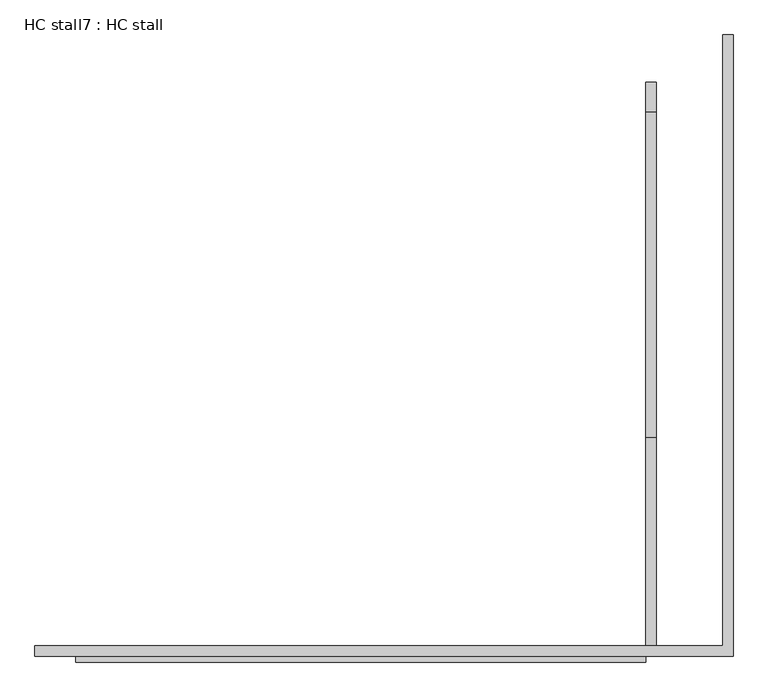
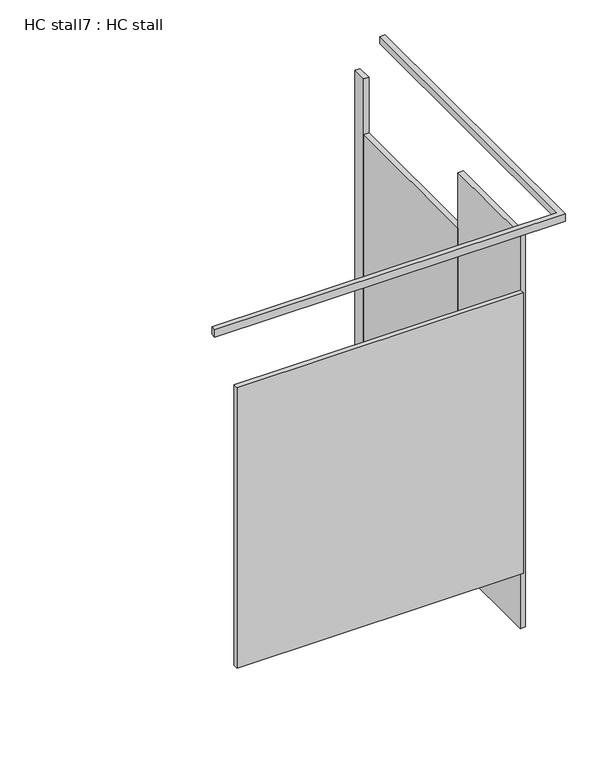
"""IFC4 building model written with IfcOpenShell, lengths in millimetres: proxy geometry, HC stall7 : HC stall."""

import ifcopenshell
import ifcopenshell.guid

model = None  # the IFC model being written
_history = None  # IfcOwnerHistory: only IFC2X3 demands one
_inside = {}  # id of a spatial element -> (the spatial element, [elements in it])
_under = {}  # id of a project, library or spatial element -> (it, [spatial elements below it])
_declared = {}  # id of a project -> (the project, [libraries it declares])
_typed = {}  # id of a type object -> (the type object, [elements of that type])
_made_of = {}  # id of a material, layer set ... -> (it, [elements and type objects made of it])


def new_model(schema):
    """Start an empty IFC model of exactly this schema.

    Asked for "IFC4X3", IfcOpenShell would pick the latest addendum, in which some entities
    have other attributes; the version numbers below select the first issue.
    IFC2X3 requires an IfcOwnerHistory on every rooted entity: one is made here for all.
    """
    global model, _history
    if schema == "IFC4X3":
        model = ifcopenshell.file(schema_version=(4, 3, 0, 0))
    else:
        model = ifcopenshell.file(schema=schema)
    _inside.clear()
    _under.clear()
    _declared.clear()
    _typed.clear()
    _made_of.clear()
    _history = None
    if model.schema == "IFC2X3":
        org = make("IfcOrganization", Name="unknown")
        user = make(
            "IfcPersonAndOrganization",
            ThePerson=make("IfcPerson", FamilyName="unknown"),
            TheOrganization=org,
        )
        app = make(
            "IfcApplication",
            ApplicationDeveloper=org,
            Version="unknown",
            ApplicationFullName="unknown",
            ApplicationIdentifier="unknown",
        )
        _history = make(
            "IfcOwnerHistory",
            OwningUser=user,
            OwningApplication=app,
            ChangeAction="ADDED",
            CreationDate=0,
        )
    return model


def make(cls, **values):
    """One entity of the class cls with the attributes given. An attribute that is None is left unset."""
    return model.create_entity(
        cls, **{name: value for name, value in values.items() if value is not None}
    )


def rooted(cls, **values):
    """An entity with a GlobalId (a new one), such as an element, a storey or a relation."""
    return make(cls, GlobalId=ifcopenshell.guid.new(), OwnerHistory=_history, **values)


def si_unit(unit_type, name, prefix=None):
    """IfcSIUnit, for example si_unit("LENGTHUNIT", "METRE", prefix="MILLI")."""
    return make("IfcSIUnit", UnitType=unit_type, Prefix=prefix, Name=name)


def assignment(units):
    """IfcUnitAssignment: the units of a project."""
    return None if units is None else make("IfcUnitAssignment", Units=units)


def point(xyz):
    """IfcCartesianPoint."""
    return None if xyz is None else make("IfcCartesianPoint", Coordinates=xyz)


def direction(xyz):
    """IfcDirection."""
    return None if xyz is None else make("IfcDirection", DirectionRatios=xyz)


def frame(location, z_axis=None, x_axis=None):
    """IfcAxis2Placement3D, a coordinate frame: its origin and axes. An axis left out is left unset."""
    return make(
        "IfcAxis2Placement3D",
        Location=point(location),
        Axis=direction(z_axis),
        RefDirection=direction(x_axis),
    )


def origin():
    """The frame at (0, 0, 0) with its axes left unset."""
    return frame((0.0, 0.0, 0.0))


def origin_with_axes():
    """The frame at (0, 0, 0) with the z axis (0, 0, 1) and the x axis (1, 0, 0) written out."""
    return frame((0.0, 0.0, 0.0), z_axis=(0.0, 0.0, 1.0), x_axis=(1.0, 0.0, 0.0))


def place(relative_to, where):
    """IfcLocalPlacement: puts the frame where relative to a parent placement (None: the world)."""
    return make(
        "IfcLocalPlacement", PlacementRelTo=relative_to, RelativePlacement=where
    )


def context(
    kind, dimensions, precision=None, world=None, true_north=None, identifier=None
):
    """IfcGeometricRepresentationContext, for example the 3D "Model" context."""
    return make(
        "IfcGeometricRepresentationContext",
        ContextIdentifier=identifier,
        ContextType=kind,
        CoordinateSpaceDimension=dimensions,
        Precision=precision,
        WorldCoordinateSystem=world,
        TrueNorth=true_north,
    )


def project(units=None, contexts=None):
    """IfcProject with its units and contexts."""
    return rooted(
        "IfcProject",
        Name="project",
        RepresentationContexts=contexts,
        UnitsInContext=assignment(units),
    )


def spatial(cls, under=None, at=None, **own):
    """A site, building, storey or space (cls), placed at a placement, below another one or the project."""
    s = rooted(cls, ObjectPlacement=at, **own)
    if under is not None:
        _under.setdefault(under.id(), (under, []))[1].append(s)
    return s


def polyline(points):
    """IfcPolyline through the points."""
    return make("IfcPolyline", Points=[point(p) for p in points])


def outline(outer, holes=None, kind="AREA"):
    """IfcArbitraryClosedProfileDef: a profile drawn as a closed curve; with holes, ...WithVoids."""
    if holes is None:
        return make("IfcArbitraryClosedProfileDef", ProfileType=kind, OuterCurve=outer)
    return make(
        "IfcArbitraryProfileDefWithVoids",
        ProfileType=kind,
        OuterCurve=outer,
        InnerCurves=holes,
    )


def extrude(swept, where, along, depth):
    """IfcExtrudedAreaSolid: the profile swept, set in the frame where, extruded along a direction by depth."""
    return make(
        "IfcExtrudedAreaSolid",
        SweptArea=swept,
        Position=where,
        ExtrudedDirection=direction(along),
        Depth=depth,
    )


def shape(context_of_items, identifier, shape_type, items):
    """IfcShapeRepresentation: the items that make up one representation, for example the "Body"."""
    return make(
        "IfcShapeRepresentation",
        ContextOfItems=context_of_items,
        RepresentationIdentifier=identifier,
        RepresentationType=shape_type,
        Items=items,
    )


def source(mapping_origin, context_of_items, identifier, shape_type, items):
    """IfcRepresentationMap: a shape defined once, which mapped items show again and again."""
    return make(
        "IfcRepresentationMap",
        MappingOrigin=mapping_origin,
        MappedRepresentation=shape(context_of_items, identifier, shape_type, items),
    )


def transform(
    local_origin,
    x_axis=None,
    y_axis=None,
    z_axis=None,
    scale=None,
    scale2=None,
    scale3=None,
    uniform=True,
):
    """IfcCartesianTransformationOperator3D, or its non-uniform kind. x_axis, y_axis, z_axis: its Axis1, 2, 3."""
    if uniform:
        return make(
            "IfcCartesianTransformationOperator3D",
            Axis1=direction(x_axis),
            Axis2=direction(y_axis),
            LocalOrigin=point(local_origin),
            Scale=scale,
            Axis3=direction(z_axis),
        )
    return make(
        "IfcCartesianTransformationOperator3DnonUniform",
        Axis1=direction(x_axis),
        Axis2=direction(y_axis),
        LocalOrigin=point(local_origin),
        Scale=scale,
        Axis3=direction(z_axis),
        Scale2=scale2,
        Scale3=scale3,
    )


def mapped(mapping_source, mapping_target):
    """IfcMappedItem: shows the shape of a source again, moved by a transform."""
    return make(
        "IfcMappedItem", MappingSource=mapping_source, MappingTarget=mapping_target
    )


def made_of(thing, what):
    """Note that an element or type object is made of a material, layer set ...; save() writes the relation."""
    if what is not None:
        _made_of.setdefault(what.id(), (what, []))[1].append(thing)
    return thing


def element(
    cls,
    number,
    at=None,
    inside=None,
    cuts=None,
    type_object=None,
    material=None,
    context=None,
    identifier="Body",
    shape_type=None,
    held_by="IfcProductDefinitionShape",
    body=None,
    shapes=None,
    **own,
):
    """One element of the class cls, such as IfcWall. Its Tag is "e" and its number.

    at: its placement. inside: the storey or other place that contains it. cuts: it is an
    opening in that element (IfcRelVoidsElement). A single representation is given by context,
    identifier, shape_type and body (its items); several are given by shapes. held_by: the class
    of the entity that holds the representations. save() writes the other relations.
    """
    e = rooted(cls, Tag="e%d" % number, ObjectPlacement=at, **own)
    if body is not None:
        shapes = [shape(context, identifier, shape_type, body)]
    if shapes is not None:
        e.Representation = make(held_by, Representations=shapes)
    if inside is not None:
        _inside.setdefault(inside.id(), (inside, []))[1].append(e)
    if cuts is not None:
        rooted(
            "IfcRelVoidsElement", RelatingBuildingElement=cuts, RelatedOpeningElement=e
        )
    if type_object is not None:
        _typed.setdefault(type_object.id(), (type_object, []))[1].append(e)
    return made_of(e, material)


def aggregate(whole, parts):
    """IfcRelAggregates: a whole, such as a stair, and the parts it consists of."""
    return rooted("IfcRelAggregates", RelatingObject=whole, RelatedObjects=parts)


def save(model, path):
    """Write the relations noted so far, then the file.

    IfcRelAggregates (storeys below a building ...), IfcRelContainedInSpatialStructure (elements
    in a storey), IfcRelDefinesByType, IfcRelAssociatesMaterial and IfcRelDeclares: one each for
    every whole, place, type object, material and project.
    """
    for whole, parts in _under.values():
        aggregate(whole, parts)
    for where, things in _inside.values():
        rooted(
            "IfcRelContainedInSpatialStructure",
            RelatedElements=things,
            RelatingStructure=where,
        )
    for kind, things in _typed.values():
        rooted("IfcRelDefinesByType", RelatedObjects=things, RelatingType=kind)
    for what, things in _made_of.values():
        rooted("IfcRelAssociatesMaterial", RelatedObjects=things, RelatingMaterial=what)
    for by, libraries in _declared.values():
        rooted("IfcRelDeclares", RelatingContext=by, RelatedDefinitions=libraries)
    model.write(path)


def hc_stall7_hc_stall_5322b1aa(model_context):
    return source(origin(), model_context, "Body", "SweptSolid", [
        extrude(outline(polyline([(416579.1671549, -430451.7036693), (416604.5671549, -430451.7036693), (416604.5671549, -430986.6911693), (416579.1671549, -430986.6911693), (416579.1671549, -430451.7036693)])), origin_with_axes(), (0.0, 0.0, 1.0), 2070.1),
        extrude(outline(polyline([(416579.1671549, -429564.2911693), (416604.5671549, -429564.2911693), (416604.5671549, -429638.9036693), (416579.1671549, -429638.9036693), (416579.1671549, -429564.2911693)])), origin_with_axes(), (0.0, 0.0, 1.0), 2070.1),
        extrude(outline(polyline([(416771.2546549, -430970.8161693), (416771.2546549, -429446.8161693), (416796.6546549, -429446.8161693), (416796.6546549, -430996.2161693), (415055.1671549, -430996.2161693), (415055.1671549, -430970.8161693), (416771.2546549, -430970.8161693)])), frame((0.0, 0.0, 2070.1), z_axis=(0.0, 0.0, 1.0), x_axis=(1.0, 0.0, 0.0)), (0.0, 0.0, 1.0), 38.1),
        extrude(outline(polyline([(415156.7671549, -431012.0911693), (415156.7671549, -430986.6911693), (416579.1671549, -430986.6911693), (416579.1671549, -431012.0911693), (415156.7671549, -431012.0911693)])), frame((0.0, 0.0, 304.8), z_axis=(0.0, 0.0, 1.0), x_axis=(1.0, 0.0, 0.0)), (0.0, 0.0, 1.0), 1473.2),
        extrude(outline(polyline([(416579.1671549, -429638.9036693), (416604.5671549, -429638.9036693), (416604.5671549, -430451.7036693), (416579.1671549, -430451.7036693), (416579.1671549, -429638.9036693)])), frame((0.0, 0.0, 304.8), z_axis=(0.0, 0.0, 1.0), x_axis=(1.0, 0.0, 0.0)), (0.0, 0.0, 1.0), 1473.2),
    ])


if __name__ == "__main__":
    model = new_model("IFC4")
    model_context = context("Model", 3, world=origin())
    ifc_project = project(units=[si_unit("LENGTHUNIT", "METRE", prefix="MILLI")], contexts=[model_context])
    site = spatial("IfcSite", under=ifc_project)
    building = spatial("IfcBuilding", under=site)
    placement = place(None, origin())
    hc_stall7_hc_stall_shape = hc_stall7_hc_stall_5322b1aa(model_context)
    element("IfcBuildingElementProxy", 1, Name="HC stall7 : HC stall", ObjectType="HC stall7 : HC stall", at=placement, inside=building, context=model_context, shape_type="MappedRepresentation", body=[
        mapped(hc_stall7_hc_stall_shape, transform((0.0, 0.0, 0.0), x_axis=(1.0, 0.0, 0.0), y_axis=(0.0, 1.0, 0.0), z_axis=(0.0, 0.0, 1.0))),
    ])
    save(model, "model.ifc")
